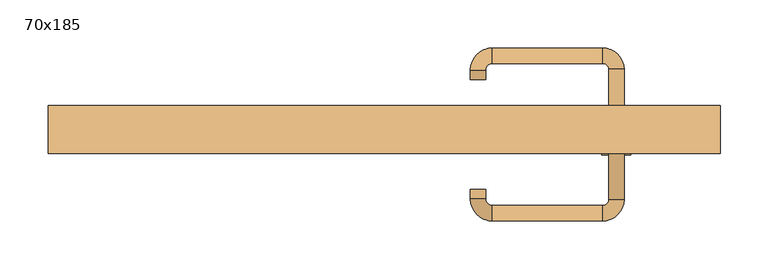
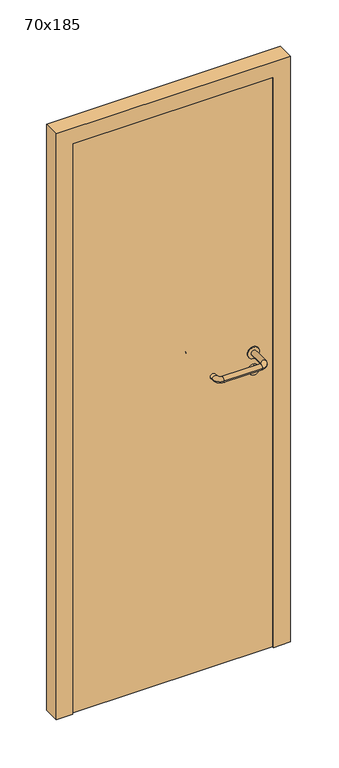
"""IFC4 building model written with IfcOpenShell, lengths in millimetres: door geometry, 70x185."""

import ifcopenshell
import ifcopenshell.guid

model = None  # the IFC model being written
_history = None  # IfcOwnerHistory: only IFC2X3 demands one
_inside = {}  # id of a spatial element -> (the spatial element, [elements in it])
_under = {}  # id of a project, library or spatial element -> (it, [spatial elements below it])
_declared = {}  # id of a project -> (the project, [libraries it declares])
_typed = {}  # id of a type object -> (the type object, [elements of that type])
_made_of = {}  # id of a material, layer set ... -> (it, [elements and type objects made of it])


def new_model(schema):
    """Start an empty IFC model of exactly this schema.

    Asked for "IFC4X3", IfcOpenShell would pick the latest addendum, in which some entities
    have other attributes; the version numbers below select the first issue.
    IFC2X3 requires an IfcOwnerHistory on every rooted entity: one is made here for all.
    """
    global model, _history
    if schema == "IFC4X3":
        model = ifcopenshell.file(schema_version=(4, 3, 0, 0))
    else:
        model = ifcopenshell.file(schema=schema)
    _inside.clear()
    _under.clear()
    _declared.clear()
    _typed.clear()
    _made_of.clear()
    _history = None
    if model.schema == "IFC2X3":
        org = make("IfcOrganization", Name="unknown")
        user = make(
            "IfcPersonAndOrganization",
            ThePerson=make("IfcPerson", FamilyName="unknown"),
            TheOrganization=org,
        )
        app = make(
            "IfcApplication",
            ApplicationDeveloper=org,
            Version="unknown",
            ApplicationFullName="unknown",
            ApplicationIdentifier="unknown",
        )
        _history = make(
            "IfcOwnerHistory",
            OwningUser=user,
            OwningApplication=app,
            ChangeAction="ADDED",
            CreationDate=0,
        )
    return model


def make(cls, **values):
    """One entity of the class cls with the attributes given. An attribute that is None is left unset."""
    return model.create_entity(
        cls, **{name: value for name, value in values.items() if value is not None}
    )


def rooted(cls, **values):
    """An entity with a GlobalId (a new one), such as an element, a storey or a relation."""
    return make(cls, GlobalId=ifcopenshell.guid.new(), OwnerHistory=_history, **values)


def si_unit(unit_type, name, prefix=None):
    """IfcSIUnit, for example si_unit("LENGTHUNIT", "METRE", prefix="MILLI")."""
    return make("IfcSIUnit", UnitType=unit_type, Prefix=prefix, Name=name)


def assignment(units):
    """IfcUnitAssignment: the units of a project."""
    return None if units is None else make("IfcUnitAssignment", Units=units)


def point(xyz):
    """IfcCartesianPoint."""
    return None if xyz is None else make("IfcCartesianPoint", Coordinates=xyz)


def direction(xyz):
    """IfcDirection."""
    return None if xyz is None else make("IfcDirection", DirectionRatios=xyz)


def frame(location, z_axis=None, x_axis=None):
    """IfcAxis2Placement3D, a coordinate frame: its origin and axes. An axis left out is left unset."""
    return make(
        "IfcAxis2Placement3D",
        Location=point(location),
        Axis=direction(z_axis),
        RefDirection=direction(x_axis),
    )


def frame_2d(location, x_axis=None):
    """IfcAxis2Placement2D, a coordinate frame in the plane: its origin and x axis."""
    return make(
        "IfcAxis2Placement2D", Location=point(location), RefDirection=direction(x_axis)
    )


def origin():
    """The frame at (0, 0, 0) with its axes left unset."""
    return frame((0.0, 0.0, 0.0))


def origin_with_axes():
    """The frame at (0, 0, 0) with the z axis (0, 0, 1) and the x axis (1, 0, 0) written out."""
    return frame((0.0, 0.0, 0.0), z_axis=(0.0, 0.0, 1.0), x_axis=(1.0, 0.0, 0.0))


def place(relative_to, where):
    """IfcLocalPlacement: puts the frame where relative to a parent placement (None: the world)."""
    return make(
        "IfcLocalPlacement", PlacementRelTo=relative_to, RelativePlacement=where
    )


def context(
    kind, dimensions, precision=None, world=None, true_north=None, identifier=None
):
    """IfcGeometricRepresentationContext, for example the 3D "Model" context."""
    return make(
        "IfcGeometricRepresentationContext",
        ContextIdentifier=identifier,
        ContextType=kind,
        CoordinateSpaceDimension=dimensions,
        Precision=precision,
        WorldCoordinateSystem=world,
        TrueNorth=true_north,
    )


def project(units=None, contexts=None):
    """IfcProject with its units and contexts."""
    return rooted(
        "IfcProject",
        Name="project",
        RepresentationContexts=contexts,
        UnitsInContext=assignment(units),
    )


def spatial(cls, under=None, at=None, **own):
    """A site, building, storey or space (cls), placed at a placement, below another one or the project."""
    s = rooted(cls, ObjectPlacement=at, **own)
    if under is not None:
        _under.setdefault(under.id(), (under, []))[1].append(s)
    return s


def polyline(points):
    """IfcPolyline through the points."""
    return make("IfcPolyline", Points=[point(p) for p in points])


def circle_curve(where, radius):
    """IfcCircle in the frame where."""
    return make("IfcCircle", Position=where, Radius=radius)


def ellipse_curve(where, semi_axis1, semi_axis2):
    """IfcEllipse in the frame where."""
    return make(
        "IfcEllipse", Position=where, SemiAxis1=semi_axis1, SemiAxis2=semi_axis2
    )


def trimmed(basis, trim1, trim2, sense, master):
    """IfcTrimmedCurve: the piece of a basis curve between two trims."""
    return make(
        "IfcTrimmedCurve",
        BasisCurve=basis,
        Trim1=trim1,
        Trim2=trim2,
        SenseAgreement=sense,
        MasterRepresentation=master,
    )


def segment(curve, same_sense, transition):
    """IfcCompositeCurveSegment."""
    return make(
        "IfcCompositeCurveSegment",
        Transition=transition,
        SameSense=same_sense,
        ParentCurve=curve,
    )


def composite_curve(segments, self_intersect=None):
    """IfcCompositeCurve: segments joined end to end."""
    return make("IfcCompositeCurve", Segments=segments, SelfIntersect=self_intersect)


def outline(outer, holes=None, kind="AREA"):
    """IfcArbitraryClosedProfileDef: a profile drawn as a closed curve; with holes, ...WithVoids."""
    if holes is None:
        return make("IfcArbitraryClosedProfileDef", ProfileType=kind, OuterCurve=outer)
    return make(
        "IfcArbitraryProfileDefWithVoids",
        ProfileType=kind,
        OuterCurve=outer,
        InnerCurves=holes,
    )


def extrude(swept, where, along, depth):
    """IfcExtrudedAreaSolid: the profile swept, set in the frame where, extruded along a direction by depth."""
    return make(
        "IfcExtrudedAreaSolid",
        SweptArea=swept,
        Position=where,
        ExtrudedDirection=direction(along),
        Depth=depth,
    )


def shape(context_of_items, identifier, shape_type, items):
    """IfcShapeRepresentation: the items that make up one representation, for example the "Body"."""
    return make(
        "IfcShapeRepresentation",
        ContextOfItems=context_of_items,
        RepresentationIdentifier=identifier,
        RepresentationType=shape_type,
        Items=items,
    )


def source(mapping_origin, context_of_items, identifier, shape_type, items):
    """IfcRepresentationMap: a shape defined once, which mapped items show again and again."""
    return make(
        "IfcRepresentationMap",
        MappingOrigin=mapping_origin,
        MappedRepresentation=shape(context_of_items, identifier, shape_type, items),
    )


def transform(
    local_origin,
    x_axis=None,
    y_axis=None,
    z_axis=None,
    scale=None,
    scale2=None,
    scale3=None,
    uniform=True,
):
    """IfcCartesianTransformationOperator3D, or its non-uniform kind. x_axis, y_axis, z_axis: its Axis1, 2, 3."""
    if uniform:
        return make(
            "IfcCartesianTransformationOperator3D",
            Axis1=direction(x_axis),
            Axis2=direction(y_axis),
            LocalOrigin=point(local_origin),
            Scale=scale,
            Axis3=direction(z_axis),
        )
    return make(
        "IfcCartesianTransformationOperator3DnonUniform",
        Axis1=direction(x_axis),
        Axis2=direction(y_axis),
        LocalOrigin=point(local_origin),
        Scale=scale,
        Axis3=direction(z_axis),
        Scale2=scale2,
        Scale3=scale3,
    )


def mapped(mapping_source, mapping_target):
    """IfcMappedItem: shows the shape of a source again, moved by a transform."""
    return make(
        "IfcMappedItem", MappingSource=mapping_source, MappingTarget=mapping_target
    )


def made_of(thing, what):
    """Note that an element or type object is made of a material, layer set ...; save() writes the relation."""
    if what is not None:
        _made_of.setdefault(what.id(), (what, []))[1].append(thing)
    return thing


def element(
    cls,
    number,
    at=None,
    inside=None,
    cuts=None,
    type_object=None,
    material=None,
    context=None,
    identifier="Body",
    shape_type=None,
    held_by="IfcProductDefinitionShape",
    body=None,
    shapes=None,
    **own,
):
    """One element of the class cls, such as IfcWall. Its Tag is "e" and its number.

    at: its placement. inside: the storey or other place that contains it. cuts: it is an
    opening in that element (IfcRelVoidsElement). A single representation is given by context,
    identifier, shape_type and body (its items); several are given by shapes. held_by: the class
    of the entity that holds the representations. save() writes the other relations.
    """
    e = rooted(cls, Tag="e%d" % number, ObjectPlacement=at, **own)
    if body is not None:
        shapes = [shape(context, identifier, shape_type, body)]
    if shapes is not None:
        e.Representation = make(held_by, Representations=shapes)
    if inside is not None:
        _inside.setdefault(inside.id(), (inside, []))[1].append(e)
    if cuts is not None:
        rooted(
            "IfcRelVoidsElement", RelatingBuildingElement=cuts, RelatedOpeningElement=e
        )
    if type_object is not None:
        _typed.setdefault(type_object.id(), (type_object, []))[1].append(e)
    return made_of(e, material)


def aggregate(whole, parts):
    """IfcRelAggregates: a whole, such as a stair, and the parts it consists of."""
    return rooted("IfcRelAggregates", RelatingObject=whole, RelatedObjects=parts)


def save(model, path):
    """Write the relations noted so far, then the file.

    IfcRelAggregates (storeys below a building ...), IfcRelContainedInSpatialStructure (elements
    in a storey), IfcRelDefinesByType, IfcRelAssociatesMaterial and IfcRelDeclares: one each for
    every whole, place, type object, material and project.
    """
    for whole, parts in _under.values():
        aggregate(whole, parts)
    for where, things in _inside.values():
        rooted(
            "IfcRelContainedInSpatialStructure",
            RelatedElements=things,
            RelatingStructure=where,
        )
    for kind, things in _typed.values():
        rooted("IfcRelDefinesByType", RelatedObjects=things, RelatingType=kind)
    for what, things in _made_of.values():
        rooted("IfcRelAssociatesMaterial", RelatedObjects=things, RelatingMaterial=what)
    for by, libraries in _declared.values():
        rooted("IfcRelDeclares", RelatingContext=by, RelatedDefinitions=libraries)
    model.write(path)


def plane_surface(at):
    """IfcPlane: the flat surface through the origin of the frame at, square to its z axis."""
    return make("IfcPlane", Position=at)


def cylinder_surface(at, radius):
    """IfcCylindricalSurface: all points at the distance radius from the z axis of the frame at."""
    return make("IfcCylindricalSurface", Position=at, Radius=radius)


def revolved_surface(curve, axis_point, axis_direction):
    """IfcSurfaceOfRevolution: the curve turned about the line through axis_point along axis_direction."""
    return make(
        "IfcSurfaceOfRevolution",
        SweptCurve=make("IfcArbitraryOpenProfileDef", ProfileType="CURVE", Curve=curve),
        AxisPosition=make("IfcAxis1Placement", Location=point(axis_point), Axis=direction(axis_direction)),
    )


def advanced_brep(points, edges, surfaces, faces):
    """IfcAdvancedBrep: a solid bounded by faces that lie on surfaces and meet in shared edges.

    An edge is (start, end): straight between two places in points (the first is 0);
    or (start, end, curve); or (start, end, curve, False) where it runs against its curve.
    A face is (place in surfaces, loops), or (place, loops, False) where it looks against
    its surface's normal. A loop lists edges by number (the first is 1), with a minus sign
    where the edge is run from its end to its start. The first loop is the outer one.
    """
    corners = [point(p) for p in points]
    vertices = [make("IfcVertexPoint", VertexGeometry=c) for c in corners]
    made = []
    for start, end, *more in edges:
        made.append(
            make(
                "IfcEdgeCurve",
                EdgeStart=vertices[start],
                EdgeEnd=vertices[end],
                EdgeGeometry=more[0] if more else make("IfcPolyline", Points=[corners[start], corners[end]]),
                SameSense=more[1] if len(more) > 1 else True,
            )
        )
    hull = []
    for where, loops, *sense in faces:
        bounds = []
        for j, loop in enumerate(loops):
            ring = [make("IfcOrientedEdge", EdgeElement=made[abs(k) - 1], Orientation=k > 0) for k in loop]
            bounds.append(
                make(
                    "IfcFaceOuterBound" if j == 0 else "IfcFaceBound",
                    Bound=make("IfcEdgeLoop", EdgeList=ring),
                    Orientation=True,
                )
            )
        hull.append(make("IfcAdvancedFace", Bounds=bounds, FaceSurface=surfaces[where], SameSense=sense[0] if sense else True))
    return make("IfcAdvancedBrep", Outer=make("IfcClosedShell", CfsFaces=hull))


def door_70x185_41cd9c0a(model_context):
    return source(origin(), model_context, "Body", "SolidModel", [
        extrude(outline(composite_curve([segment(trimmed(circle_curve(frame_2d((897.3605726, 242.0)), 15.0), [point((897.3605726, 257.0))], [point((897.3605726, 227.0))], False, "CARTESIAN"), True, "CONTINUOUS"), segment(trimmed(circle_curve(frame_2d((897.3605726, 242.0)), 15.0), [point((897.3605726, 227.0))], [point((897.3605726, 257.0))], False, "CARTESIAN"), True, "CONTINUOUS")], self_intersect=False), holes=[composite_curve([segment(trimmed(circle_curve(frame_2d((892.5833211, 241.9398032)), 2.0), [point((892.5833211, 243.9398032))], [point((892.5833211, 239.9398032))], True, "CARTESIAN"), True, "CONTINUOUS"), segment(polyline([(892.5833211, 239.9398032), (902.5833211, 239.9398032)]), True, "CONTINUOUS"), segment(trimmed(circle_curve(frame_2d((902.5833211, 241.9398032)), 2.0), [point((902.5833211, 239.9398032))], [point((902.5833211, 243.9398032))], True, "CARTESIAN"), True, "CONTINUOUS"), segment(polyline([(902.5833211, 243.9398032), (892.5833211, 243.9398032)]), True, "CONTINUOUS")], self_intersect=False)]), frame((0.0, 10.0, 0.0), z_axis=(0.0, 1.0, 0.0), x_axis=(0.0, 0.0, 1.0)), (0.0, 0.0, 1.0), 6.35),
        extrude(outline(composite_curve([segment(trimmed(circle_curve(frame_2d((950.0, 242.0)), 17.526), [point((950.0, 259.526))], [point((950.0, 224.474))], False, "CARTESIAN"), True, "CONTINUOUS"), segment(trimmed(circle_curve(frame_2d((950.0, 242.0)), 17.526), [point((950.0, 224.474))], [point((950.0, 259.526))], False, "CARTESIAN"), True, "CONTINUOUS")], self_intersect=False)), frame((0.0, 10.0, 0.0), z_axis=(0.0, 1.0, 0.0), x_axis=(0.0, 0.0, 1.0)), (0.0, 0.0, 1.0), 3.175),
        advanced_brep(
        [(250.0, 10.0, 950.0), (234.0, 10.0, 950.0), (250.0, 63.0, 950.0), (234.0, 63.0, 950.0), (227.8578644, 69.1421356, 950.0), (227.8578644, 85.1421356, 950.0), (112.8578644, 85.1421356, 950.0), (112.8578644, 69.1421356, 950.0), (106.008622, 62.2928932, 950.0), (90.008622, 62.2928932, 950.0), (90.008622, 52.2928932, 950.0), (106.008622, 52.2928932, 950.0)],
        [
            (0, 1, circle_curve(frame((242.0, 10.0, 950.0), z_axis=(0.0, -1.0, 0.0), x_axis=(-1.0, 0.0, 0.0)), 8.0)),
            (1, 0, circle_curve(frame((242.0, 10.0, 950.0), z_axis=(0.0, -1.0, 0.0), x_axis=(-1.0, 0.0, 0.0)), 8.0)),
            (0, 2),
            (2, 3, circle_curve(frame((242.0, 63.0, 950.0), z_axis=(0.0, -1.0, 0.0), x_axis=(-1.0, 0.0, 0.0)), 8.0)),
            (3, 1),
            (3, 2, circle_curve(frame((242.0, 63.0, 950.0), z_axis=(0.0, -1.0, 0.0), x_axis=(-1.0, 0.0, 0.0)), 8.0)),
            (4, 3, circle_curve(frame((227.8578644, 63.0, 950.0), z_axis=(0.0, 0.0, -1.0), x_axis=(1.0, 0.0, 0.0)), 6.1421356)),
            (2, 5, circle_curve(frame((227.8578644, 63.0, 950.0), z_axis=(0.0, 0.0, 1.0), x_axis=(1.0, 0.0, 0.0)), 22.1421356)),
            (5, 4, circle_curve(frame((227.8578644, 77.1421356, 950.0), z_axis=(1.0, 0.0, 0.0), x_axis=(0.0, -1.0, 0.0)), 8.0)),
            (4, 5, circle_curve(frame((227.8578644, 77.1421356, 950.0), z_axis=(1.0, 0.0, 0.0), x_axis=(0.0, -1.0, 0.0)), 8.0)),
            (5, 6),
            (6, 7, circle_curve(frame((112.8578644, 77.1421356, 950.0), z_axis=(1.0, 0.0, 0.0), x_axis=(0.0, -1.0, 0.0)), 8.0)),
            (7, 4),
            (7, 6, circle_curve(frame((112.8578644, 77.1421356, 950.0), z_axis=(1.0, 0.0, 0.0), x_axis=(0.0, -1.0, 0.0)), 8.0)),
            (8, 7, circle_curve(frame((112.8578644, 62.2928932, 950.0), z_axis=(0.0, 0.0, -1.0), x_axis=(0.0, 1.0, 0.0)), 6.8492424)),
            (6, 9, circle_curve(frame((112.8578644, 62.2928932, 950.0), z_axis=(0.0, 0.0, 1.0), x_axis=(0.0, 1.0, 0.0)), 22.8492424)),
            (9, 8, circle_curve(frame((98.008622, 62.2928932, 950.0), z_axis=(0.0, 1.0, 0.0), x_axis=(1.0, 0.0, 0.0)), 8.0)),
            (8, 9, circle_curve(frame((98.008622, 62.2928932, 950.0), z_axis=(0.0, 1.0, 0.0), x_axis=(1.0, 0.0, 0.0)), 8.0)),
            (10, 11, circle_curve(frame((98.008622, 52.2928932, 950.0), z_axis=(0.0, -1.0, 0.0), x_axis=(1.0, 0.0, 0.0)), 8.0)),
            (11, 10, circle_curve(frame((98.008622, 52.2928932, 950.0), z_axis=(0.0, -1.0, 0.0), x_axis=(1.0, 0.0, 0.0)), 8.0)),
            (9, 10),
            (11, 8),
        ],
        [
            plane_surface(frame((242.0, 10.0, 170.0), z_axis=(0.0, -1.0, 0.0), x_axis=(0.0, 0.0, 1.0))),
            cylinder_surface(frame((242.0, 10.0, 950.0), z_axis=(0.0, -1.0, 0.0), x_axis=(-1.0, 0.0, 0.0)), 8.0),
            revolved_surface(trimmed(ellipse_curve(frame((242.0, 63.0, 950.0), z_axis=(0.0, -1.0, 0.0), x_axis=(-1.0, 0.0, 0.0)), 8.0, 8.0), [point((250.0, 63.0, 950.0))], [point((234.0, 63.0, 950.0))], True, "CARTESIAN"), (227.8578644, 63.0, 170.0), (0.0, 0.0, 1.0)),
            revolved_surface(trimmed(ellipse_curve(frame((242.0, 63.0, 950.0), z_axis=(0.0, -1.0, 0.0), x_axis=(-1.0, 0.0, 0.0)), 8.0, 8.0), [point((234.0, 63.0, 950.0))], [point((250.0, 63.0, 950.0))], True, "CARTESIAN"), (227.8578644, 63.0, 170.0), (0.0, 0.0, 1.0)),
            cylinder_surface(frame((227.8578644, 77.1421356, 950.0), z_axis=(1.0, 0.0, 0.0), x_axis=(0.0, -1.0, 0.0)), 8.0),
            revolved_surface(trimmed(ellipse_curve(frame((112.8578644, 77.1421356, 950.0), z_axis=(1.0, 0.0, 0.0), x_axis=(0.0, -1.0, 0.0)), 8.0, 8.0), [point((112.8578644, 85.1421356, 950.0))], [point((112.8578644, 69.1421356, 950.0))], True, "CARTESIAN"), (112.8578644, 62.2928932, 170.0), (0.0, 0.0, 1.0)),
            revolved_surface(trimmed(ellipse_curve(frame((112.8578644, 77.1421356, 950.0), z_axis=(1.0, 0.0, 0.0), x_axis=(0.0, -1.0, 0.0)), 8.0, 8.0), [point((112.8578644, 69.1421356, 950.0))], [point((112.8578644, 85.1421356, 950.0))], True, "CARTESIAN"), (112.8578644, 62.2928932, 170.0), (0.0, 0.0, 1.0)),
            plane_surface(frame((98.008622, 52.2928932, 170.0), z_axis=(0.0, -1.0, 0.0), x_axis=(0.0, 0.0, 1.0))),
            cylinder_surface(frame((98.008622, 62.2928932, 950.0), z_axis=(0.0, 1.0, 0.0), x_axis=(1.0, 0.0, 0.0)), 8.0),
        ],
        [
            (0, [[1, 2]]),
            (1, [[-1, 3, 4, 5]]),
            (1, [[-2, -5, 6, -3]]),
            (2, [[7, -4, 8, 9]]),
            (3, [[-8, -6, -7, 10]]),
            (4, [[-9, 11, 12, 13]]),
            (4, [[-10, -13, 14, -11]]),
            (5, [[15, -12, 16, 17]]),
            (6, [[-16, -14, -15, 18]]),
            (7, [[19, 20]]),
            (8, [[-17, 21, -20, 22]]),
            (8, [[-18, -22, -19, -21]]),
        ],
    ),
        extrude(outline(composite_curve([segment(trimmed(circle_curve(frame_2d((0.0, 15.0)), 15.0), [point((0.0, 30.0))], [point((0.0, 0.0))], False, "CARTESIAN"), True, "CONTINUOUS"), segment(trimmed(circle_curve(frame_2d((0.0, 15.0)), 15.0), [point((0.0, 0.0))], [point((0.0, 30.0))], False, "CARTESIAN"), True, "CONTINUOUS")], self_intersect=False), holes=[composite_curve([segment(trimmed(circle_curve(frame_2d((-4.7772515, 14.9398032)), 2.0), [point((-4.7772515, 16.9398032))], [point((-4.7772515, 12.9398032))], True, "CARTESIAN"), True, "CONTINUOUS"), segment(polyline([(-4.7772515, 12.9398032), (5.2227485, 12.9398032)]), True, "CONTINUOUS"), segment(trimmed(circle_curve(frame_2d((5.2227485, 14.9398032)), 2.0), [point((5.2227485, 12.9398032))], [point((5.2227485, 16.9398032))], True, "CARTESIAN"), True, "CONTINUOUS"), segment(polyline([(5.2227485, 16.9398032), (-4.7772515, 16.9398032)]), True, "CONTINUOUS")], self_intersect=False)]), frame((227.0, -26.35, 897.3605726), z_axis=(-1.8870575173328306e-12, 1.0, 0.0), x_axis=(0.0, 0.0, 1.0)), (0.0, 0.0, 1.0), 6.35),
        extrude(outline(composite_curve([segment(trimmed(circle_curve(frame_2d((0.0, 17.526)), 17.526), [point((0.0, 35.052))], [point((0.0, 0.0))], False, "CARTESIAN"), True, "CONTINUOUS"), segment(trimmed(circle_curve(frame_2d((0.0, 17.526)), 17.526), [point((0.0, 0.0))], [point((0.0, 35.052))], False, "CARTESIAN"), True, "CONTINUOUS")], self_intersect=False)), frame((224.474, -23.175, 950.0), z_axis=(-1.8870575173328306e-12, 1.0, 0.0), x_axis=(0.0, 0.0, 1.0)), (0.0, 0.0, 1.0), 3.175),
        advanced_brep(
        [(250.0, -20.0, 950.0), (234.0, -20.0, 950.0), (234.0, -73.0, 950.0), (250.0, -73.0, 950.0), (227.8578644, -79.1421356, 950.0), (227.8578644, -95.1421356, 950.0), (112.8578644, -79.1421356, 950.0), (112.8578644, -95.1421356, 950.0), (106.008622, -72.2928932, 950.0), (90.008622, -72.2928932, 950.0), (90.008622, -62.2928932, 950.0), (106.008622, -62.2928932, 950.0)],
        [
            (0, 1, circle_curve(frame((242.0, -20.0, 950.0), z_axis=(-1.888672253512351e-12, 1.0, 0.0), x_axis=(-1.0, -1.888672253512351e-12, 0.0)), 8.0)),
            (1, 0, circle_curve(frame((242.0, -20.0, 950.0), z_axis=(-1.888672253512351e-12, 1.0, 0.0), x_axis=(-1.0, -1.888672253512351e-12, 0.0)), 8.0)),
            (1, 2),
            (2, 3, circle_curve(frame((242.0, -73.0, 950.0), z_axis=(-1.888672253512351e-12, 1.0, 0.0), x_axis=(-1.0, -1.888672253512351e-12, 0.0)), 8.0)),
            (3, 0),
            (3, 2, circle_curve(frame((242.0, -73.0, 950.0), z_axis=(-1.888672253512351e-12, 1.0, 0.0), x_axis=(-1.0, -1.888672253512351e-12, 0.0)), 8.0)),
            (4, 5, circle_curve(frame((227.8578644, -87.1421356, 950.0), z_axis=(1.0, 1.913702061528922e-12, 0.0), x_axis=(-1.913702061528922e-12, 1.0, 0.0)), 8.0)),
            (5, 3, circle_curve(frame((227.8578644, -73.0, 950.0), z_axis=(0.0, 0.0, 1.0), x_axis=(1.0, 1.880717803715015e-12, 0.0)), 22.1421356)),
            (2, 4, circle_curve(frame((227.8578644, -73.0, 950.0), z_axis=(0.0, 0.0, -1.0), x_axis=(1.0, 1.880717803715015e-12, 0.0)), 6.1421356)),
            (5, 4, circle_curve(frame((227.8578644, -87.1421356, 950.0), z_axis=(1.0, 1.913702061528922e-12, 0.0), x_axis=(-1.913702061528922e-12, 1.0, 0.0)), 8.0)),
            (4, 6),
            (6, 7, circle_curve(frame((112.8578644, -87.1421356, 950.0), z_axis=(1.0, 1.913719828541269e-12, 0.0), x_axis=(-1.913719828541269e-12, 1.0, 0.0)), 8.0)),
            (7, 5),
            (7, 6, circle_curve(frame((112.8578644, -87.1421356, 950.0), z_axis=(1.0, 1.913719828541269e-12, 0.0), x_axis=(-1.913719828541269e-12, 1.0, 0.0)), 8.0)),
            (8, 9, circle_curve(frame((98.008622, -72.2928932, 950.0), z_axis=(1.890226565746826e-12, -1.0, 0.0), x_axis=(1.0, 1.890226565746826e-12, 0.0)), 8.0)),
            (9, 7, circle_curve(frame((112.8578644, -72.2928932, 950.0), z_axis=(0.0, 0.0, 1.0), x_axis=(1.9120873253494017e-12, -1.0, 0.0)), 22.8492424)),
            (6, 8, circle_curve(frame((112.8578644, -72.2928932, 950.0), z_axis=(0.0, 0.0, -1.0), x_axis=(1.9120873253494017e-12, -1.0, 0.0)), 6.8492424)),
            (9, 8, circle_curve(frame((98.008622, -72.2928932, 950.0), z_axis=(1.890670654956676e-12, -1.0, 0.0), x_axis=(1.0, 1.890670654956676e-12, 0.0)), 8.0)),
            (10, 11, circle_curve(frame((98.008622, -62.2928932, 950.0), z_axis=(-1.8903642334018795e-12, 1.0, 0.0), x_axis=(1.0, 1.8903642334018795e-12, 0.0)), 8.0)),
            (11, 10, circle_curve(frame((98.008622, -62.2928932, 950.0), z_axis=(-1.8903642334018795e-12, 1.0, 0.0), x_axis=(1.0, 1.8903642334018795e-12, 0.0)), 8.0)),
            (8, 11),
            (10, 9),
        ],
        [
            plane_surface(frame((242.0, -20.0, 170.0), z_axis=(-1.8870575173328306e-12, 1.0, 0.0), x_axis=(0.0, 0.0, 1.0))),
            cylinder_surface(frame((242.0, -20.0, 950.0), z_axis=(-1.888672253512351e-12, 1.0, 0.0), x_axis=(-1.0, -1.888672253512351e-12, 0.0)), 8.0),
            revolved_surface(trimmed(ellipse_curve(frame((242.0, -73.0, 950.0), z_axis=(1.8823325398945356e-12, -1.0, 0.0), x_axis=(-1.0, -1.8823325398945356e-12, 0.0)), 8.0, 8.0), [point((250.0, -73.0, 950.0))], [point((234.0, -73.0, 950.0))], True, "CARTESIAN"), (227.8578644, -73.0, 170.0), (0.0, 0.0, 1.0)),
            revolved_surface(trimmed(ellipse_curve(frame((242.0, -73.0, 950.0), z_axis=(1.8823325398945356e-12, -1.0, 0.0), x_axis=(-1.0, -1.8823325398945356e-12, 0.0)), 8.0, 8.0), [point((234.0, -73.0, 950.0))], [point((250.0, -73.0, 950.0))], True, "CARTESIAN"), (227.8578644, -73.0, 170.0), (0.0, 0.0, 1.0)),
            cylinder_surface(frame((227.8578644, -87.1421356, 950.0), z_axis=(1.0, 1.913719828541269e-12, 0.0), x_axis=(-1.913719828541269e-12, 1.0, 0.0)), 8.0),
            revolved_surface(trimmed(ellipse_curve(frame((112.8578644, -87.1421356, 950.0), z_axis=(-1.0, -1.913702061528922e-12, 0.0), x_axis=(-1.913702061528922e-12, 1.0, 0.0)), 8.0, 8.0), [point((112.8578644, -95.1421356, 950.0))], [point((112.8578644, -79.1421356, 950.0))], True, "CARTESIAN"), (112.8578644, -72.2928932, 170.0), (0.0, 0.0, 1.0)),
            revolved_surface(trimmed(ellipse_curve(frame((112.8578644, -87.1421356, 950.0), z_axis=(-1.0, -1.913702061528922e-12, 0.0), x_axis=(-1.913702061528922e-12, 1.0, 0.0)), 8.0, 8.0), [point((112.8578644, -79.1421356, 950.0))], [point((112.8578644, -95.1421356, 950.0))], True, "CARTESIAN"), (112.8578644, -72.2928932, 170.0), (0.0, 0.0, 1.0)),
            plane_surface(frame((98.008622, -62.2928932, 170.0), z_axis=(-1.8887494972223595e-12, 1.0, 0.0), x_axis=(0.0, 0.0, 1.0))),
            cylinder_surface(frame((98.008622, -72.2928932, 950.0), z_axis=(1.8903642334018795e-12, -1.0, 0.0), x_axis=(1.0, 1.8903642334018795e-12, 0.0)), 8.0),
        ],
        [
            (0, [[1, 2]]),
            (1, [[3, 4, 5, -2]]),
            (1, [[-5, 6, -3, -1]]),
            (2, [[7, 8, -4, 9]]),
            (3, [[10, -9, -6, -8]]),
            (4, [[11, 12, 13, -7]]),
            (4, [[-13, 14, -11, -10]]),
            (5, [[15, 16, -12, 17]]),
            (6, [[18, -17, -14, -16]]),
            (7, [[19, 20]]),
            (8, [[21, -19, 22, -15]]),
            (8, [[-22, -20, -21, -18]]),
        ],
    ),
        extrude(outline(polyline([(1800.0, 300.0), (0.0, 300.0), (0.0, 350.0), (1850.0, 350.0), (1850.0, -350.0), (0.0, -350.0), (0.0, -300.0), (1800.0, -300.0), (1800.0, 300.0)])), frame((0.0, -25.0, 0.0), z_axis=(0.0, 1.0, 0.0), x_axis=(0.0, 0.0, 1.0)), (0.0, 0.0, 1.0), 50.0),
        extrude(outline(polyline([(-300.0, -20.0), (-300.0, 10.0), (300.0, 10.0), (300.0, -20.0), (-300.0, -20.0)])), origin_with_axes(), (0.0, 0.0, 1.0), 1800.0),
    ])


if __name__ == "__main__":
    model = new_model("IFC4")
    model_context = context("Model", 3, world=origin())
    ifc_project = project(units=[si_unit("LENGTHUNIT", "METRE", prefix="MILLI")], contexts=[model_context])
    site = spatial("IfcSite", under=ifc_project)
    building = spatial("IfcBuilding", under=site)
    placement = place(None, origin())
    door_70x185_shape = door_70x185_41cd9c0a(model_context)
    element("IfcDoor", 1, ObjectType="70x185", at=placement, inside=building, context=model_context, shape_type="MappedRepresentation", body=[
        mapped(door_70x185_shape, transform((0.0, 0.0, 0.0), x_axis=(1.0, 0.0, 0.0), y_axis=(0.0, 1.0, 0.0), z_axis=(0.0, 0.0, 1.0))),
    ])
    save(model, "model.ifc")
